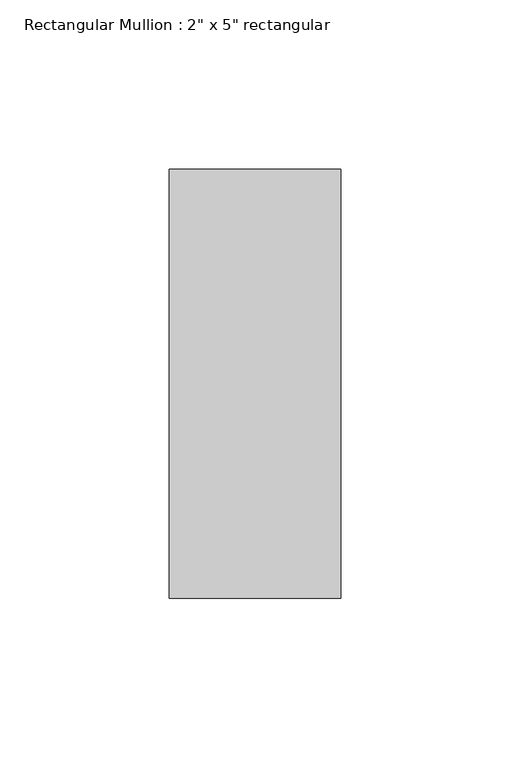
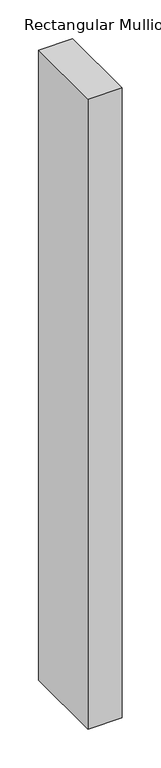
"""IFC4 building model written with IfcOpenShell, lengths in millimetres: member geometry."""

from ifc_helpers import new_model, si_unit, frame, origin, place, context, project, spatial, polyline, outline, extrude, source, transform, mapped, element, save


def member_512bdaf1(model_context):
    return source(origin(), model_context, "Body", "SweptSolid", [
        extrude(outline(polyline([(0.0, 63.5), (0.0, -63.5), (-50.8, -63.5), (-50.8, 63.5), (0.0, 63.5)])), frame((0.0, 0.0, -990.6), z_axis=(0.0, 0.0, 1.0), x_axis=(1.0, 0.0, 0.0)), (0.0, 0.0, 1.0), 990.6),
    ])


if __name__ == "__main__":
    model = new_model("IFC4")
    model_context = context("Model", 3, world=origin())
    ifc_project = project(units=[si_unit("LENGTHUNIT", "METRE", prefix="MILLI")], contexts=[model_context])
    site = spatial("IfcSite", under=ifc_project)
    building = spatial("IfcBuilding", under=site)
    placement = place(None, origin())
    member_shape = member_512bdaf1(model_context)
    element("IfcMember", 1, ObjectType="Rectangular Mullion : 2\" x 5\" rectangular", at=placement, inside=building, context=model_context, shape_type="MappedRepresentation", body=[
        mapped(member_shape, transform((0.0, 0.0, 0.0), x_axis=(1.0, 0.0, 0.0), y_axis=(0.0, 1.0, 0.0), z_axis=(0.0, 0.0, 1.0))),
    ])
    save(model, "model.ifc")
